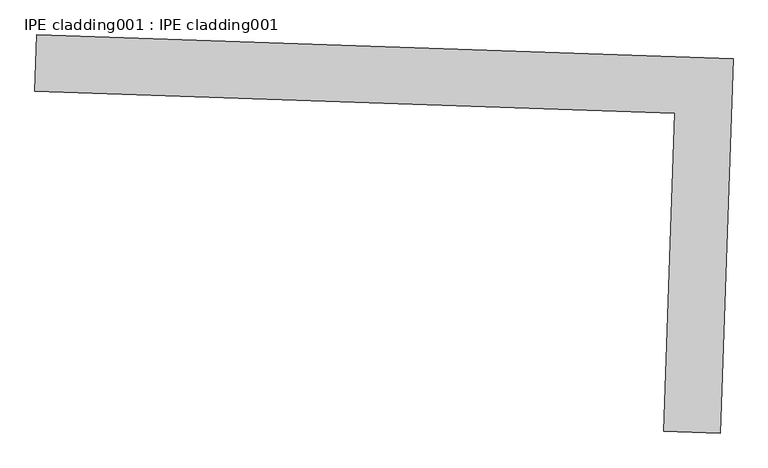
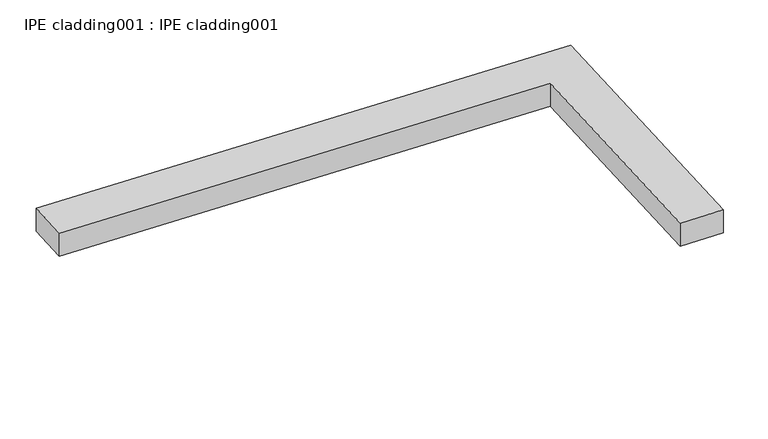
"""IFC4 building model written with IfcOpenShell, lengths in millimetres: proxy geometry, IPE cladding001 : IPE cladding001."""

from ifc_helpers import new_model, si_unit, frame, origin, place, context, project, spatial, polyline, outline, extrude, source, transform, mapped, element, save


def ipe_cladding001_ipe_cladding001_5bc9b6e7(model_context):
    return source(origin(), model_context, "Body", "SweptSolid", [
        extrude(outline(polyline([(17306.5036747, -14579.7358894), (17309.5442116, -14490.8879006), (18404.9713732, -14528.3753731), (18384.81895, -15117.2524117), (18295.9709609, -15114.211875), (18313.0828476, -14614.1828251), (17306.5036747, -14579.7358894)])), frame((0.0, 0.0, 226.375707), z_axis=(0.0, 0.0, 1.0), x_axis=(1.0, 0.0, 0.0)), (0.0, 0.0, 1.0), 50.8),
    ])


if __name__ == "__main__":
    model = new_model("IFC4")
    model_context = context("Model", 3, world=origin())
    ifc_project = project(units=[si_unit("LENGTHUNIT", "METRE", prefix="MILLI")], contexts=[model_context])
    site = spatial("IfcSite", under=ifc_project)
    building = spatial("IfcBuilding", under=site)
    placement = place(None, origin())
    ipe_cladding001_ipe_cladding001_shape = ipe_cladding001_ipe_cladding001_5bc9b6e7(model_context)
    element("IfcBuildingElementProxy", 1, Name="IPE cladding001 : IPE cladding001", ObjectType="IPE cladding001 : IPE cladding001", at=placement, inside=building, context=model_context, shape_type="MappedRepresentation", body=[
        mapped(ipe_cladding001_ipe_cladding001_shape, transform((0.0, 0.0, 0.0), x_axis=(1.0, 0.0, 0.0), y_axis=(0.0, 1.0, 0.0), z_axis=(0.0, 0.0, 1.0))),
    ])
    save(model, "model.ifc")
